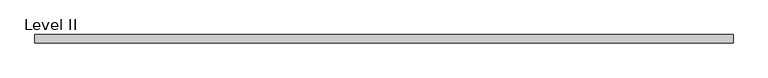
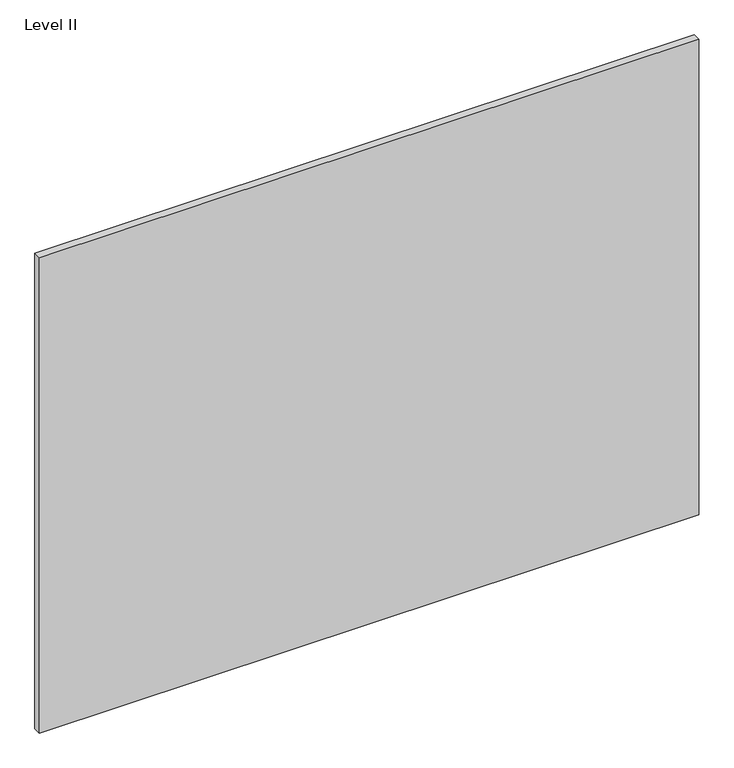
"""IFC4 building model written with IfcOpenShell, lengths in millimetres: proxy geometry, Level II."""

from ifc_helpers import new_model, si_unit, frame, origin, place, context, project, spatial, polyline, outline, extrude, source, transform, mapped, element, save


def level_ii_fc3b3d38(model_context):
    return source(origin(), model_context, "Body", "SweptSolid", [
        extrude(outline(polyline([(795.6407125, 9.525), (795.6407125, -9.525), (-795.6407125, -9.525), (-795.6407125, 9.525), (795.6407125, 9.525)])), frame((0.0, 0.0, 3.175), z_axis=(0.0, 0.0, 1.0), x_axis=(1.0, 0.0, 0.0)), (0.0, 0.0, 1.0), 1212.85),
    ])


if __name__ == "__main__":
    model = new_model("IFC4")
    model_context = context("Model", 3, world=origin())
    ifc_project = project(units=[si_unit("LENGTHUNIT", "METRE", prefix="MILLI")], contexts=[model_context])
    site = spatial("IfcSite", under=ifc_project)
    building = spatial("IfcBuilding", under=site)
    placement = place(None, origin())
    level_ii_shape = level_ii_fc3b3d38(model_context)
    element("IfcBuildingElementProxy", 1, Name="Level II", ObjectType="Level II", at=placement, inside=building, context=model_context, shape_type="MappedRepresentation", body=[
        mapped(level_ii_shape, transform((0.0, 0.0, 0.0), x_axis=(1.0, 0.0, 0.0), y_axis=(0.0, 1.0, 0.0), z_axis=(0.0, 0.0, 1.0))),
    ])
    save(model, "model.ifc")
